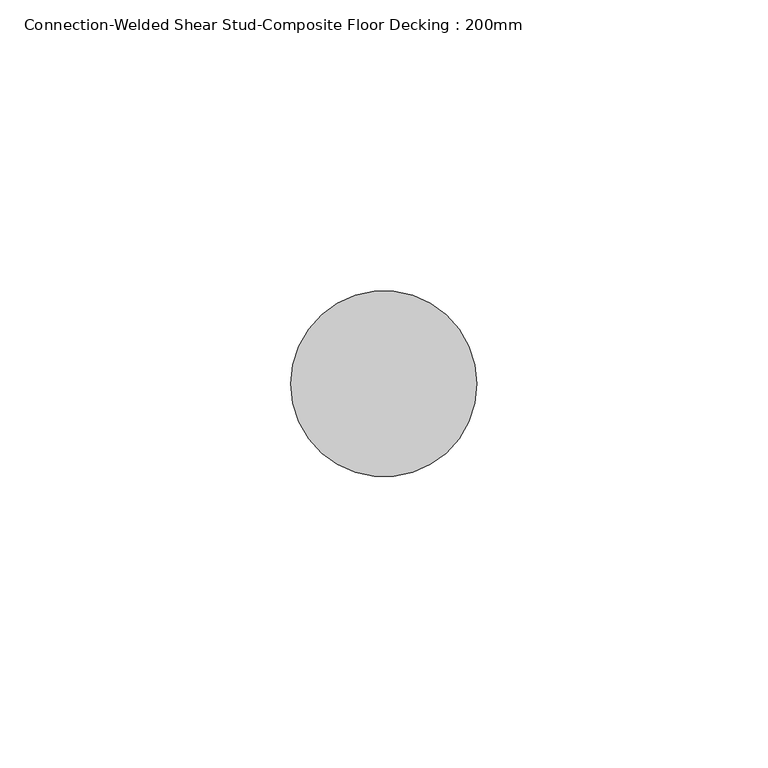
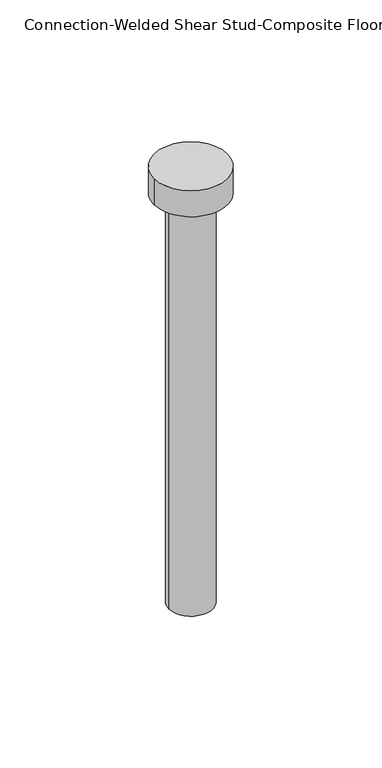
"""IFC4 building model written with IfcOpenShell, lengths in millimetres: fastener geometry, Connection-Welded Shear Stud-Composite Floor Decking : 200mm."""

from ifc_helpers import new_model, si_unit, point, frame, origin, origin_with_axes, origin_2d, place, context, project, spatial, circle_curve, trimmed, segment, composite_curve, outline, extrude, source, transform, mapped, element, save


def connection_welded_shear_stud_composite_floor_decking_200mm_671c3698(model_context):
    return source(origin(), model_context, "Body", "SweptSolid", [
        extrude(outline(composite_curve([segment(trimmed(circle_curve(origin_2d(), 16.0), [point((16.0, 0.0))], [point((-16.0, 0.0))], False, "CARTESIAN"), True, "CONTINUOUS"), segment(trimmed(circle_curve(origin_2d(), 16.0), [point((-16.0, 0.0))], [point((16.0, 0.0))], False, "CARTESIAN"), True, "CONTINUOUS")], self_intersect=False)), frame((0.0, 0.0, 188.0), z_axis=(0.0, 0.0, 1.0), x_axis=(1.0, 0.0, 0.0)), (0.0, 0.0, 1.0), 12.0),
        extrude(outline(composite_curve([segment(trimmed(circle_curve(origin_2d(), 9.5), [point((-9.5, 0.0))], [point((9.5, 0.0))], False, "CARTESIAN"), True, "CONTINUOUS"), segment(trimmed(circle_curve(origin_2d(), 9.5), [point((9.5, 0.0))], [point((-9.5, 0.0))], False, "CARTESIAN"), True, "CONTINUOUS")], self_intersect=False)), origin_with_axes(), (0.0, 0.0, 1.0), 188.0),
    ])


if __name__ == "__main__":
    model = new_model("IFC4")
    model_context = context("Model", 3, world=origin())
    ifc_project = project(units=[si_unit("LENGTHUNIT", "METRE", prefix="MILLI")], contexts=[model_context])
    site = spatial("IfcSite", under=ifc_project)
    building = spatial("IfcBuilding", under=site)
    placement = place(None, origin())
    connection_welded_shear_stud_composite_floor_decking_200mm_shape = connection_welded_shear_stud_composite_floor_decking_200mm_671c3698(model_context)
    element("IfcFastener", 1, ObjectType="Connection-Welded Shear Stud-Composite Floor Decking : 200mm", at=placement, inside=building, context=model_context, shape_type="MappedRepresentation", body=[
        mapped(connection_welded_shear_stud_composite_floor_decking_200mm_shape, transform((0.0, 0.0, 0.0), x_axis=(1.0, 0.0, 0.0), y_axis=(0.0, 1.0, 0.0), z_axis=(0.0, 0.0, 1.0))),
    ])
    save(model, "model.ifc")
